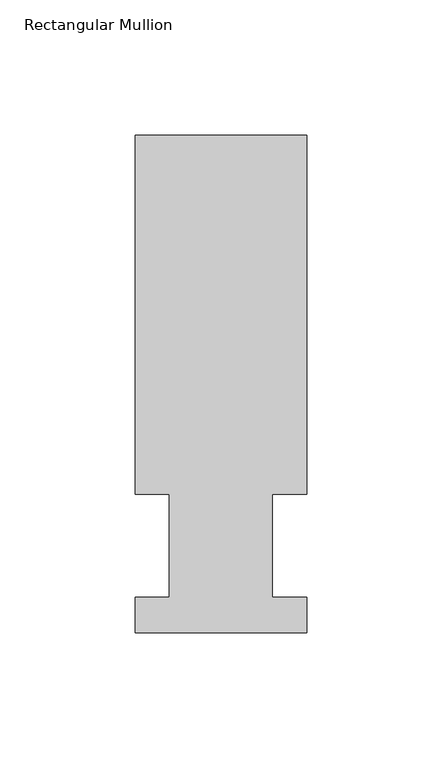
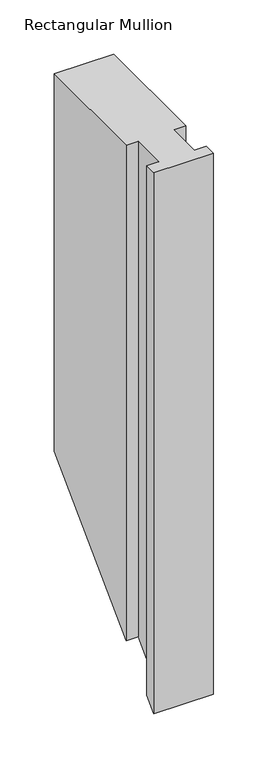
"""IFC4 building model written with IfcOpenShell, lengths in millimetres: member geometry, Rectangular Mullion."""

from ifc_helpers import new_model, si_unit, origin, place, context, project, spatial, faceted_brep, source, transform, mapped, element, save


def rectangular_mullion_0095a08f(model_context):
    return source(origin(), model_context, "Body", "Brep", [
        faceted_brep([(0.0, 184.2396937, 0.0), (-63.5127, 184.2396938, 0.0), (-63.5127, 51.2960938, 0.0), (-50.8127001, 51.2960938, 0.0), (-50.8127001, 13.1960938, 0.0), (-63.5000001, 13.1960938, 0.0), (-63.5000001, 0.0134938, 0.0), (0.0, 0.0134938, 0.0), (0.0, 13.1960938, 0.0), (-12.6873001, 13.1960938, 0.0), (-12.6873001, 51.2960938, 0.0), (0.0, 51.2960938, 0.0), (0.0, 184.2396937, -425.3603062), (-63.5127, 184.2396937, -425.3603062), (-63.5127, 51.2960938, -558.3039062), (-50.8127001, 51.2960938, -558.3039062), (-50.8127001, 13.1960938, -596.4039062), (-63.5000001, 13.1960938, -596.4039062), (-63.5000001, 0.0134938, -609.5865062), (0.0, 0.0134938, -609.5865062), (0.0, 13.1960938, -596.4039062), (-12.6873001, 13.1960938, -596.4039062), (-12.6873001, 51.2960938, -558.3039062), (0.0, 51.2960938, -558.3039062)], [[[0, 1, 2, 3, 4, 5, 6, 7, 8, 9, 10, 11]], [[1, 0, 12, 13]], [[2, 1, 13, 14]], [[3, 2, 14, 15]], [[4, 3, 15, 16]], [[5, 4, 16, 17]], [[6, 5, 17, 18]], [[7, 6, 18, 19]], [[8, 7, 19, 20]], [[9, 8, 20, 21]], [[10, 9, 21, 22]], [[11, 10, 22, 23]], [[0, 11, 23, 12]], [[12, 23, 22, 21, 20, 19, 18, 17, 16, 15, 14, 13]]]),
    ])


if __name__ == "__main__":
    model = new_model("IFC4")
    model_context = context("Model", 3, world=origin())
    ifc_project = project(units=[si_unit("LENGTHUNIT", "METRE", prefix="MILLI")], contexts=[model_context])
    site = spatial("IfcSite", under=ifc_project)
    building = spatial("IfcBuilding", under=site)
    placement = place(None, origin())
    rectangular_mullion_shape = rectangular_mullion_0095a08f(model_context)
    element("IfcMember", 1, ObjectType="Rectangular Mullion", at=placement, inside=building, context=model_context, shape_type="MappedRepresentation", body=[
        mapped(rectangular_mullion_shape, transform((0.0, 0.0, 0.0), x_axis=(1.0, 0.0, 0.0), y_axis=(0.0, 1.0, 0.0), z_axis=(0.0, 0.0, 1.0))),
    ])
    save(model, "model.ifc")
